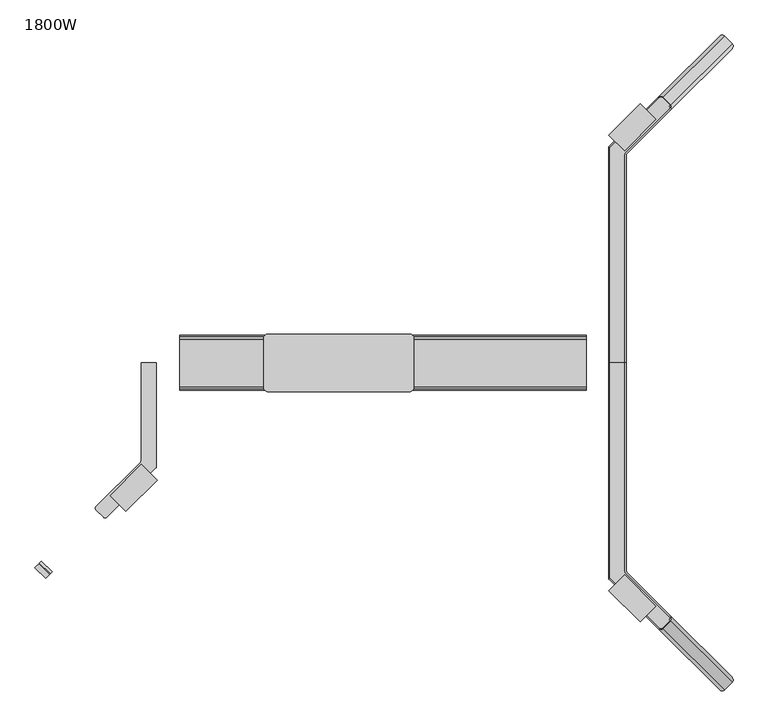
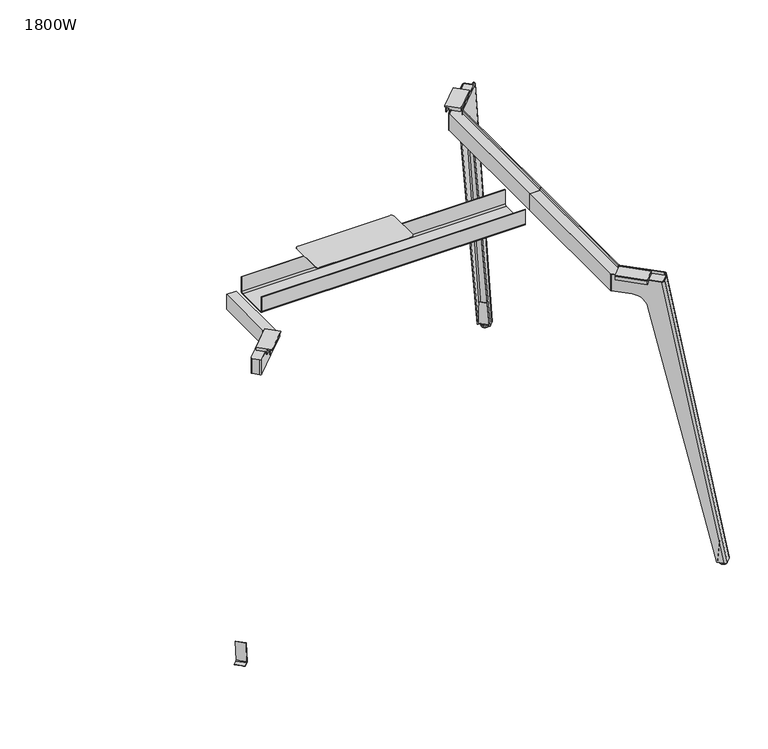
"""IFC4 building model written with IfcOpenShell, lengths in millimetres: furniture geometry, 1800W."""

from ifc_helpers import new_model, si_unit, point, frame, frame_2d, origin, place, context, project, spatial, polyline, circle_curve, ellipse_curve, trimmed, segment, composite_curve, outline, extrude, source, transform, mapped, element, save
from ifc_brep_helpers import plane_surface, cylinder_surface, revolved_surface, extruded_surface, advanced_brep


def furniture_1800w_860604a6(model_context):
    return source(origin(), model_context, "Body", "SolidModel", [
        extrude(outline(composite_curve([segment(polyline([(-688.0, 1010.0), (-688.0, 958.0)]), True, "CONTINUOUS"), segment(trimmed(circle_curve(frame_2d((-696.0, 958.0)), 8.0), [point((-688.0, 958.0))], [point((-696.0, 950.0))], False, "CARTESIAN"), True, "CONTINUOUS"), segment(polyline([(-696.0, 950.0), (-804.0, 950.0)]), True, "CONTINUOUS"), segment(trimmed(circle_curve(frame_2d((-804.0, 958.0)), 8.0), [point((-804.0, 950.0))], [point((-812.0, 958.0))], False, "CARTESIAN"), True, "CONTINUOUS"), segment(polyline([(-812.0, 958.0), (-812.0, 1010.0), (-810.0, 1010.0), (-810.0, 958.0)]), True, "CONTINUOUS"), segment(trimmed(circle_curve(frame_2d((-804.0, 958.0)), 6.0), [point((-810.0, 958.0))], [point((-804.0, 952.0))], True, "CARTESIAN"), True, "CONTINUOUS"), segment(polyline([(-804.0, 952.0), (-696.0, 952.0)]), True, "CONTINUOUS"), segment(trimmed(circle_curve(frame_2d((-696.0, 958.0)), 6.0), [point((-696.0, 952.0))], [point((-690.0, 958.0))], True, "CARTESIAN"), True, "CONTINUOUS"), segment(polyline([(-690.0, 958.0), (-690.0, 1010.0), (-688.0, 1010.0)]), True, "CONTINUOUS")], self_intersect=False)), frame((540.0, 0.0, 0.0), z_axis=(1.0, 0.0, 0.0), x_axis=(0.0, 1.0, 0.0)), (0.0, 0.0, 1.0), 920.0),
        extrude(outline(composite_curve([segment(trimmed(circle_curve(frame_2d((1060.0, -695.0)), 10.0), [point((1060.0, -685.0))], [point((1070.0, -695.0))], False, "CARTESIAN"), True, "CONTINUOUS"), segment(polyline([(1070.0, -695.0), (1070.0, -805.0)]), True, "CONTINUOUS"), segment(trimmed(circle_curve(frame_2d((1060.0, -805.0)), 10.0), [point((1070.0, -805.0))], [point((1060.0, -815.0))], False, "CARTESIAN"), True, "CONTINUOUS"), segment(polyline([(1060.0, -815.0), (740.0, -815.0)]), True, "CONTINUOUS"), segment(trimmed(circle_curve(frame_2d((740.0, -805.0)), 10.0), [point((740.0, -815.0))], [point((730.0, -805.0))], False, "CARTESIAN"), True, "CONTINUOUS"), segment(polyline([(730.0, -805.0), (730.0, -695.0)]), True, "CONTINUOUS"), segment(trimmed(circle_curve(frame_2d((740.0, -695.0)), 10.0), [point((730.0, -695.0))], [point((740.0, -685.0))], False, "CARTESIAN"), True, "CONTINUOUS"), segment(polyline([(740.0, -685.0), (1060.0, -685.0)]), True, "CONTINUOUS")], self_intersect=False)), frame((0.0, 0.0, 1050.0), z_axis=(0.0, 0.0, 1.0), x_axis=(1.0, 0.0, 0.0)), (0.0, 0.0, 1.0), 1.0),
        extrude(outline(composite_curve([segment(polyline([(-74.548028, 0.0), (-0.0994088, 1e-07)]), True, "CONTINUOUS"), segment(trimmed(circle_curve(frame_2d((-0.0994088, -3.0)), 3.0), [point((-0.0994088, 1e-07))], [point((2.8893055, -3.2599753))], False, "CARTESIAN"), True, "CONTINUOUS"), segment(polyline([(2.8893055, -3.2599753), (1.3240324, -21.254585), (-0.1703247, -21.1245974), (1.3949484, -3.1299876)]), True, "CONTINUOUS"), segment(trimmed(circle_curve(frame_2d((-0.0994088, -3.0)), 1.5), [point((1.3949484, -3.1299876))], [point((-0.0994088, -1.5))], True, "CARTESIAN"), True, "CONTINUOUS"), segment(polyline([(-0.0994088, -1.5), (-74.5477459, -1.5), (-74.548028, 0.0)]), True, "CONTINUOUS")], self_intersect=False)), frame((1748.3388574, -1472.380488, 14.8957476), z_axis=(0.7071067811865491, 0.7071067811865459, 0.0), x_axis=(-0.0612767651045797, 0.06127676510457999, -0.996238082044968)), (0.0, 0.0, 1.0), 34.0),
        extrude(outline(polyline([(-236.7910647, 0.0), (-186.7910648, 0.0), (-186.7910648, -3.0005467), (-188.2821866, -3.0005467), (-190.7073419, -5.4412143), (-190.7073419, -20.0), (-193.7809085, -20.0), (-193.7809085, -6.0005467), (-201.7910648, -6.0005467), (-201.7910648, -20.0), (-204.7910647, -20.0), (-204.7910647, -12.0), (-236.7910647, -12.0), (-236.7910647, 0.0)])), frame((1449.506584, -1467.8731417, 1025.0), z_axis=(-0.7071067811865459, 0.7071067811865492, 0.0), x_axis=(-0.7071067811865492, -0.7071067811865459, 0.0)), (0.0, 0.0, 1.0), 100.0),
        extrude(outline(composite_curve([segment(trimmed(circle_curve(frame_2d((1515.0, -1236.2132034)), 2.0), [point((1513.5857864, -1237.627417))], [point((1513.0, -1236.2132034))], False, "CARTESIAN"), True, "CONTINUOUS"), segment(polyline([(1513.0, -1236.2132034), (1513.0, -750.0), (1547.0, -750.0), (1547.0, -1219.6446609)]), True, "CONTINUOUS"), segment(trimmed(circle_curve(frame_2d((1555.0, -1219.6446609)), 8.0), [point((1547.0, -1219.6446609))], [point((1549.3431458, -1225.3015152))], True, "CARTESIAN"), True, "CONTINUOUS"), segment(polyline([(1549.3431458, -1225.3015152), (1649.1130979, -1325.0714673)]), True, "CONTINUOUS"), segment(trimmed(circle_curve(frame_2d((1645.577564, -1328.6070012)), 5.0), [point((1649.1130979, -1325.0714673))], [point((1649.1130979, -1332.1425352))], False, "CARTESIAN"), True, "CONTINUOUS"), segment(polyline([(1649.1130979, -1332.1425352), (1632.1425352, -1349.1130979)]), True, "CONTINUOUS"), segment(trimmed(circle_curve(frame_2d((1628.6070012, -1345.577564)), 5.0), [point((1632.1425352, -1349.1130979))], [point((1625.0714673, -1349.1130979))], False, "CARTESIAN"), True, "CONTINUOUS"), segment(polyline([(1625.0714673, -1349.1130979), (1513.5857864, -1237.627417)]), True, "CONTINUOUS")], self_intersect=False)), frame((0.0, 0.0, 958.0), z_axis=(0.0, 0.0, 1.0), x_axis=(1.0, 0.0, 0.0)), (0.0, 0.0, 1.0), 55.0),
        advanced_brep(
        [(1649.8544232, -1332.8838605, 1023.0), (1649.8544232, -1321.570152, 1023.0), (1551.4644661, -1223.1801948, 1023.0), (1550.0, -1219.6446609, 1023.0), (1550.0, -750.0, 1023.0), (1547.0, -750.0, 1023.0), (1547.0, -1219.6446609, 1023.0), (1549.3431458, -1225.3015152, 1023.0), (1647.7331029, -1323.6914723, 1023.0), (1647.7331029, -1330.7625401, 1023.0), (1772.4228355, -1489.3933983, 11.0), (1761.109127, -1489.3933983, 11.0), (1745.3502722, -1473.6345435, 11.0), (1747.4715925, -1471.5132231, 11.0), (1763.2304474, -1487.2720779, 11.0), (1770.3015152, -1487.2720779, 11.0), (1787.2720779, -1470.3015152, 11.0), (1787.2720779, -1463.2304474, 11.0), (1771.5132231, -1447.4715925, 11.0), (1773.6345435, -1445.3502722, 11.0), (1789.3933983, -1461.109127, 11.0), (1789.3933983, -1472.4228355, 11.0), (1651.2332668, -1334.2627041, 1013.0), (1634.2627041, -1351.2332668, 1013.0), (1621.4575473, -1293.173276, 914.5846719), (1587.0642676, -1258.7799963, 953.0), (1551.4644661, -1223.1801948, 953.0), (1550.0, -1219.6446609, 953.0), (1550.0, -750.0, 953.0), (1547.0, -750.0, 953.0), (1547.0, -1219.6446609, 953.0), (1549.3431458, -1225.3015152, 953.0), (1584.9429472, -1260.9013167, 953.0), (1619.3362269, -1295.2945964, 914.5846719), (1649.1119465, -1332.1413837, 1013.0), (1632.1413837, -1349.1119465, 1013.0), (1625.0703159, -1349.1119465, 1013.0), (1595.2945964, -1319.3362269, 914.5846719), (1560.9013167, -1284.9429472, 953.0), (1513.5857864, -1237.627417, 953.0), (1513.5857864, -1237.627417, 1013.0), (1513.0, -1236.2132034, 953.0), (1513.0, -1236.2132034, 1013.0), (1513.0, -750.0, 953.0), (1513.0, -750.0, 1013.0), (1510.0, -750.0, 953.0), (1510.0, -750.0, 1013.0), (1510.0, -1236.2132034, 953.0), (1510.0, -1236.2132034, 1013.0), (1511.4644661, -1239.7487373, 953.0), (1511.4644661, -1239.7487373, 1013.0), (1622.9489956, -1351.2332668, 1013.0), (1558.7799963, -1287.0642676, 953.0), (1593.173276, -1321.4575473, 914.5846719)],
        [
            (0, 1, circle_curve(frame((1644.197569, -1327.2270062, 1023.0), z_axis=(0.0, 0.0, 1.0), x_axis=(-1.0, 0.0, 0.0)), 8.0)),
            (1, 2),
            (2, 3, circle_curve(frame((1555.0, -1219.6446609, 1023.0), z_axis=(0.0, 0.0, -1.0), x_axis=(-0.7071067811865375, 0.7071067811865576, 0.0)), 5.0)),
            (3, 4),
            (4, 5),
            (5, 6),
            (6, 7, circle_curve(frame((1555.0, -1219.6446609, 1023.0), z_axis=(0.0, 0.0, 1.0), x_axis=(0.0, -1.0, 0.0)), 8.0)),
            (7, 8),
            (8, 9, circle_curve(frame((1644.197569, -1327.2270062, 1023.0), z_axis=(0.0, 0.0, -1.0), x_axis=(-1.0, 0.0, 0.0)), 5.0)),
            (9, 0),
            (10, 11, circle_curve(frame((1766.7659813, -1483.736544, 11.0), z_axis=(0.0, 0.0, -1.0), x_axis=(-1.0, 0.0, 0.0)), 8.0)),
            (11, 12),
            (12, 13),
            (13, 14),
            (14, 15, circle_curve(frame((1766.7659813, -1483.736544, 11.0), z_axis=(0.0, 0.0, 1.0), x_axis=(-1.0, 0.0, 0.0)), 5.0)),
            (15, 16),
            (16, 17, circle_curve(frame((1783.736544, -1466.7659813, 11.0), z_axis=(0.0, 0.0, 1.0), x_axis=(-1.0, 0.0, 0.0)), 5.0)),
            (17, 18),
            (18, 19),
            (19, 20),
            (20, 21, circle_curve(frame((1783.736544, -1466.7659813, 11.0), z_axis=(0.0, 0.0, -1.0), x_axis=(-1.0, 0.0, 0.0)), 8.0)),
            (21, 10),
            (21, 22),
            (22, 23),
            (23, 10),
            (0, 22),
            (20, 1),
            (19, 24),
            (24, 25, circle_curve(frame((1587.0642676, -1258.7799963, 903.0), z_axis=(-0.7071067811865491, -0.7071067811865459, 0.0), x_axis=(0.7071067811865459, -0.7071067811865491, 0.0)), 50.0)),
            (25, 26),
            (26, 2),
            (26, 27, circle_curve(frame((1555.0, -1219.6446609, 953.0), z_axis=(0.0, 0.0, -1.0), x_axis=(-0.7071067811865375, 0.7071067811865576, 0.0)), 5.0)),
            (27, 3),
            (27, 28),
            (28, 4),
            (28, 29),
            (29, 5),
            (29, 30),
            (30, 6),
            (30, 31, circle_curve(frame((1555.0, -1219.6446609, 953.0), z_axis=(0.0, 0.0, 1.0), x_axis=(0.0, -1.0, 0.0)), 8.0)),
            (31, 7),
            (31, 32),
            (32, 33, circle_curve(frame((1584.9429472, -1260.9013167, 903.0), z_axis=(0.7071067811865491, 0.7071067811865459, 0.0), x_axis=(0.7071067811865459, -0.7071067811865491, 0.0)), 50.0)),
            (33, 18),
            (17, 8),
            (16, 34),
            (34, 9),
            (15, 35),
            (35, 34),
            (14, 36),
            (36, 35, circle_curve(frame((1628.6058498, -1345.5764126, 1013.0), z_axis=(0.0, 0.0, 1.0), x_axis=(-1.0, 0.0, 0.0)), 5.0)),
            (13, 37),
            (37, 38, circle_curve(frame((1560.9013167, -1284.9429472, 903.0), z_axis=(-0.7071067811865491, -0.7071067811865459, 0.0), x_axis=(0.7071067811865459, -0.7071067811865491, 0.0)), 50.0)),
            (38, 39),
            (39, 40),
            (40, 36),
            (39, 41, circle_curve(frame((1515.0, -1236.2132034, 953.0), z_axis=(0.0, 0.0, -1.0), x_axis=(-0.7071067811865439, 0.7071067811865511, 0.0)), 2.0)),
            (41, 42),
            (42, 40, circle_curve(frame((1515.0, -1236.2132034, 1013.0), z_axis=(0.0, 0.0, 1.0), x_axis=(-0.7071067811865439, 0.7071067811865511, 0.0)), 2.0)),
            (41, 43),
            (43, 44),
            (44, 42),
            (43, 45),
            (45, 46),
            (46, 44),
            (45, 47),
            (47, 48),
            (48, 46),
            (47, 49, circle_curve(frame((1515.0, -1236.2132034, 953.0), z_axis=(0.0, 0.0, 1.0), x_axis=(0.0, -1.0, 0.0)), 5.0)),
            (49, 50),
            (50, 48, circle_curve(frame((1515.0, -1236.2132034, 1013.0), z_axis=(0.0, 0.0, -1.0), x_axis=(0.0, -1.0, 0.0)), 5.0)),
            (11, 51),
            (51, 50),
            (49, 52),
            (52, 53, circle_curve(frame((1558.7799963, -1287.0642676, 903.0), z_axis=(0.7071067811865491, 0.7071067811865459, 0.0), x_axis=(0.7071067811865459, -0.7071067811865491, 0.0)), 50.0)),
            (53, 12),
            (23, 51, circle_curve(frame((1628.6058498, -1345.5764126, 1013.0), z_axis=(0.0, 0.0, -1.0), x_axis=(-1.0, 0.0, 0.0)), 8.0)),
            (25, 32),
            (38, 52),
            (33, 24),
            (53, 37),
            (22, 34),
        ],
        [
            plane_surface(frame((1573.4970471, -1177.0828335, 1023.0), z_axis=(0.0, 0.0, 1.0000000000000002), x_axis=(0.7071067811865492, 0.7071067811865459, 0.0))),
            plane_surface(frame((1629.3126371, -1232.8984235, 11.0), z_axis=(0.0, 0.0, -1.0000000000000002), x_axis=(0.7071067811865492, 0.7071067811865459, 0.0))),
            plane_surface(frame((1780.9081169, -1480.9081169, 11.0), z_axis=(0.6940348267306308, -0.6940348267306341, 0.19139309958815692), x_axis=(0.7071067811865492, 0.7071067811865459, 0.0))),
            extruded_surface(trimmed(circle_curve(frame((1783.736544, -1466.7659813, 11.0), z_axis=(0.0, 0.0, 1.0), x_axis=(-1.0, 0.0, 0.0)), 8.0), [point((1789.3933983, -1472.4228355, 11.0))], [point((1789.3933983, -1461.109127, 11.0))], True, "CARTESIAN"), (-139.53897500000016, 139.53897510000002, 1012.0), 1031.0607407500343),
            plane_surface(frame((1670.4289322, -1342.1446609, 11.0), z_axis=(0.7071067811865491, 0.707106781186546, 0.0), x_axis=(-0.707106781186546, 0.7071067811865491, 0.0))),
            revolved_surface(polyline([(1551.4644660940673, -1216.109126994067, 1023.0), (1551.4644660940673, -1216.109126994067, 953.0)]), (1555.0, -1219.6446609, 11.0), (0.0, 0.0, 1.0)),
            plane_surface(frame((1550.0, -984.8223305, 11.0), z_axis=(1.0, 0.0, 0.0), x_axis=(0.0, 1.0, 0.0))),
            plane_surface(frame((1548.5, -750.0, 11.0), z_axis=(0.0, 1.0, 0.0), x_axis=(-1.0, 0.0, 0.0))),
            plane_surface(frame((1547.0, -984.8223305, 11.0), z_axis=(-1.0, 0.0, 0.0), x_axis=(0.0, -1.0, 0.0))),
            cylinder_surface(frame((1555.0, -1219.6446609, 11.0), z_axis=(0.0, 0.0, 1.0), x_axis=(0.0, -1.0, 0.0)), 8.0),
            plane_surface(frame((1668.3076118, -1344.2659813, 11.0), z_axis=(-0.7071067811865491, -0.707106781186546, 0.0), x_axis=(0.707106781186546, -0.7071067811865491, 0.0))),
            extruded_surface(trimmed(circle_curve(frame((1783.736544, -1466.7659813, 11.0), z_axis=(0.0, 0.0, -1.0), x_axis=(-1.0, 0.0, 0.0)), 5.0), [point((1787.2720779, -1463.2304474, 11.0))], [point((1787.2720779, -1470.3015152, 11.0))], True, "CARTESIAN"), (-139.53897500000016, 139.53897510000002, 1012.0), 1031.0607407500343),
            plane_surface(frame((1778.7867966, -1478.7867966, 11.0), z_axis=(-0.6940348267306308, 0.6940348267306341, -0.19139309958815692), x_axis=(-0.7071067811865492, -0.7071067811865459, 0.0))),
            extruded_surface(trimmed(circle_curve(frame((1766.7659813, -1483.736544, 11.0), z_axis=(0.0, 0.0, -1.0), x_axis=(-1.0, 0.0, 0.0)), 5.0), [point((1770.3015152, -1487.2720779, 11.0))], [point((1763.2304474, -1487.2720779, 11.0))], True, "CARTESIAN"), (-139.53897510000002, 139.53897500000016, 1012.0), 1031.0607407500343),
            plane_surface(frame((1638.4081169, -1362.4497475, 11.0), z_axis=(0.7071067811865491, 0.7071067811865459, 0.0), x_axis=(-0.7071067811865459, 0.7071067811865491, 0.0))),
            revolved_surface(polyline([(1513.585786437627, -1234.798989837627, 1013.0), (1513.585786437627, -1234.798989837627, 953.0)]), (1515.0, -1236.2132034, 11.0), (0.0, 0.0, 1.0)),
            plane_surface(frame((1513.0, -993.1066017, 11.0), z_axis=(1.0, 0.0, 0.0), x_axis=(0.0, 1.0, 0.0))),
            plane_surface(frame((1511.5, -750.0, 11.0), z_axis=(0.0, 1.0, 0.0), x_axis=(-1.0, 0.0, 0.0))),
            plane_surface(frame((1510.0, -993.1066017, 11.0), z_axis=(-1.0, 0.0, 0.0), x_axis=(0.0, -1.0, 0.0))),
            cylinder_surface(frame((1515.0, -1236.2132034, 11.0), z_axis=(0.0, 0.0, 1.0), x_axis=(0.0, -1.0, 0.0)), 5.0),
            plane_surface(frame((1636.2867966, -1364.5710678, 11.0), z_axis=(-0.7071067811865491, -0.7071067811865459, 0.0), x_axis=(0.7071067811865459, -0.7071067811865491, 0.0))),
            extruded_surface(trimmed(circle_curve(frame((1766.7659813, -1483.736544, 11.0), z_axis=(0.0, 0.0, 1.0), x_axis=(-1.0, 0.0, 0.0)), 8.0), [point((1761.109127, -1489.3933983, 11.0))], [point((1772.4228355, -1489.3933983, 11.0))], True, "CARTESIAN"), (-139.53897510000002, 139.53897500000016, 1012.0), 1031.0607407500343),
            plane_surface(frame((1510.0, -1250.0, 953.0), z_axis=(0.0, 0.0, -1.0), x_axis=(1.0, 0.0, 0.0))),
            plane_surface(frame((1727.8751083, -1491.5147186, 9.7975778), z_axis=(-0.687865593883783, 0.6878655938837862, -0.23169343862487052), x_axis=(0.7071067811865492, 0.7071067811865459, 0.0))),
            revolved_surface(polyline([(1620.2982862593271, -1296.2566557593275, 903.0), (1622.4196066593272, -1294.1353353593272, 903.0)]), (1604.7419371, -1241.1023268, 903.0), (-0.7071067811865491, -0.7071067811865459, 0.0)),
            revolved_surface(polyline([(1594.1353353593272, -1322.4196066593274, 903.0), (1596.2566557593273, -1320.2982862593271, 903.0)]), (1604.7419371, -1241.1023268, 903.0), (-0.7071067811865491, -0.7071067811865459, 0.0)),
            plane_surface(frame((1542.0, -750.0, 1013.0), z_axis=(0.0, 0.0, 1.0), x_axis=(0.0, -1.0, 0.0))),
            plane_surface(frame((1653.3899571, -1336.4193944, 1025.0), z_axis=(-0.7071067811865482, -0.7071067811865468, 0.0), x_axis=(0.0, 0.0, -1.0))),
        ],
        [
            (0, [[1, 2, 3, 4, 5, 6, 7, 8, 9, 10]]),
            (1, [[11, 12, 13, 14, 15, 16, 17, 18, 19, 20, 21, 22]]),
            (2, [[-22, 23, 24, 25]]),
            (3, [[-1, 26, -23, -21, 27]]),
            (4, [[-2, -27, -20, 28, 29, 30, 31]]),
            (5, [[-3, -31, 32, 33]]),
            (6, [[-4, -33, 34, 35]]),
            (7, [[-5, -35, 36, 37]]),
            (8, [[-6, -37, 38, 39]]),
            (9, [[-7, -39, 40, 41]]),
            (10, [[-8, -41, 42, 43, 44, -18, 45]]),
            (11, [[-9, -45, -17, 46, 47]]),
            (12, [[-16, 48, 49, -46]]),
            (13, [[-15, 50, 51, -48]]),
            (14, [[-14, 52, 53, 54, 55, 56, -50]]),
            (15, [[57, 58, 59, -55]]),
            (16, [[60, 61, 62, -58]]),
            (17, [[63, 64, 65, -61]]),
            (18, [[66, 67, 68, -64]]),
            (19, [[69, 70, 71, -67]]),
            (20, [[-12, 72, 73, -70, 74, 75, 76]]),
            (21, [[-11, -25, 77, -72]]),
            (22, [[-36, -34, -32, -30, 78, -42, -40, -38]]),
            (22, [[-57, -54, 79, -74, -69, -66, -63, -60]]),
            (23, [[80, -28, -19, -44]]),
            (23, [[81, -52, -13, -76]]),
            (24, [[-80, -43, -78, -29]]),
            (25, [[-81, -75, -79, -53]]),
            (26, [[82, -49, -51, -56, -59, -62, -65, -68, -71, -73, -77, -24]]),
            (27, [[-82, -26, -10, -47]]),
        ],
    ),
        advanced_brep(
        [(1761.8162338, -1461.8162338, 8.0), (1778.7867966, -1478.7867966, 8.0), (1778.7867966, -1478.7867966, 1.0), (1761.8162338, -1461.8162338, 1.0), (1765.1752772, -1465.1752772, 8.0), (1775.4277531, -1475.4277531, 8.0), (1766.4179756, -1466.4179756, 11.0), (1774.1850548, -1474.1850548, 11.0), (1770.3015152, -1470.3015152, 11.0), (1762.5233406, -1462.5233406, 0.0), (1778.0796898, -1478.0796898, 0.0), (1770.3015152, -1470.3015152, 0.0)],
        [
            (0, 1, circle_curve(frame((1770.3015152, -1470.3015152, 8.0), z_axis=(0.0, 0.0, -1.0), x_axis=(0.7071067811865459, -0.7071067811865491, 0.0)), 12.0)),
            (1, 2),
            (2, 3, circle_curve(frame((1770.3015152, -1470.3015152, 1.0), z_axis=(0.0, 0.0, 1.0), x_axis=(0.7071067811865459, -0.7071067811865491, 0.0)), 12.0)),
            (3, 0),
            (1, 0, circle_curve(frame((1770.3015152, -1470.3015152, 8.0), z_axis=(0.0, 0.0, -1.0), x_axis=(0.7071067811865459, -0.7071067811865491, 0.0)), 12.0)),
            (3, 2, circle_curve(frame((1770.3015152, -1470.3015152, 1.0), z_axis=(0.0, 0.0, 1.0), x_axis=(0.7071067811865459, -0.7071067811865491, 0.0)), 12.0)),
            (4, 5, circle_curve(frame((1770.3015152, -1470.3015152, 8.0), z_axis=(0.0, 0.0, -1.0), x_axis=(0.7071067811865459, -0.7071067811865491, 0.0)), 7.2495952)),
            (5, 1),
            (0, 4),
            (5, 4, circle_curve(frame((1770.3015152, -1470.3015152, 8.0), z_axis=(0.0, 0.0, -1.0), x_axis=(0.7071067811865459, -0.7071067811865491, 0.0)), 7.2495952)),
            (6, 7, circle_curve(frame((1770.3015152, -1470.3015152, 11.0), z_axis=(0.0, 0.0, -1.0), x_axis=(0.7071067811865459, -0.7071067811865491, 0.0)), 5.4921544)),
            (7, 5),
            (4, 6),
            (7, 6, circle_curve(frame((1770.3015152, -1470.3015152, 11.0), z_axis=(0.0, 0.0, -1.0), x_axis=(0.7071067811865459, -0.7071067811865491, 0.0)), 5.4921544)),
            (8, 7),
            (6, 8),
            (9, 10, circle_curve(frame((1770.3015152, -1470.3015152, 0.0), z_axis=(0.0, 0.0, -1.0), x_axis=(0.7071067811865459, -0.7071067811865491, 0.0)), 11.0)),
            (10, 11),
            (11, 9),
            (10, 9, circle_curve(frame((1770.3015152, -1470.3015152, 0.0), z_axis=(0.0, 0.0, -1.0), x_axis=(0.7071067811865459, -0.7071067811865491, 0.0)), 11.0)),
            (2, 10, circle_curve(frame((1778.0796898, -1478.0796898, 1.0), z_axis=(0.7071067811865491, 0.7071067811865459, 0.0), x_axis=(0.7071067811865459, -0.7071067811865491, 0.0)), 1.0)),
            (9, 3, circle_curve(frame((1762.5233406, -1462.5233406, 1.0), z_axis=(0.7071067811865515, 0.7071067811865436, 0.0), x_axis=(-0.7071067811865436, 0.7071067811865515, 0.0)), 1.0)),
        ],
        [
            cylinder_surface(frame((1770.3015152, -1470.3015152, -11.0819101), z_axis=(0.0, 0.0, 1.0), x_axis=(0.7071067811865459, -0.7071067811865491, 0.0)), 12.0),
            plane_surface(frame((1770.3015152, -1470.3015152, 8.0), z_axis=(0.0, 0.0, 1.0), x_axis=(0.7071067811865459, -0.7071067811865491, 0.0))),
            revolved_surface(polyline([(1775.4277531, -1475.4277531, 8.0), (1774.1850548, -1474.1850548, 11.0)]), (1770.3015152, -1470.3015152, -11.0819101), (0.0, 0.0, 1.0)),
            plane_surface(frame((1770.3015152, -1470.3015152, 11.0), z_axis=(0.0, 0.0, 1.0), x_axis=(0.7071067811865459, -0.7071067811865491, 0.0))),
            plane_surface(frame((1770.3015152, -1470.3015152, 0.0), z_axis=(0.0, 0.0, -1.0), x_axis=(0.7071067811865459, -0.7071067811865491, 0.0))),
            revolved_surface(trimmed(ellipse_curve(frame((1778.0796898, -1478.0796898, 1.0), z_axis=(-0.7071067811865491, -0.7071067811865459, 0.0), x_axis=(0.7071067811865459, -0.7071067811865491, 0.0)), 1.0, 1.0), [point((1778.0796898, -1478.0796898, 0.0))], [point((1778.7867966, -1478.7867966, 1.0))], True, "CARTESIAN"), (1770.3015152, -1470.3015152, -11.0819101), (0.0, 0.0, 1.0)),
        ],
        [
            (0, [[1, 2, 3, 4]]),
            (0, [[5, -4, 6, -2]]),
            (1, [[7, 8, -1, 9]]),
            (1, [[10, -9, -5, -8]]),
            (2, [[11, 12, -7, 13]]),
            (2, [[14, -13, -10, -12]]),
            (3, [[15, -11, 16]]),
            (3, [[-16, -14, -15]]),
            (4, [[17, 18, 19]]),
            (4, [[20, -19, -18]]),
            (5, [[-3, 21, -17, 22]]),
            (5, [[-6, -22, -20, -21]]),
        ],
    ),
        extrude(outline(composite_curve([segment(polyline([(74.548028, 0.0), (0.0994088, -1e-07)]), True, "CONTINUOUS"), segment(trimmed(circle_curve(frame_2d((0.0994088, 3.0)), 3.0), [point((0.0994088, -1e-07))], [point((-2.8893055, 3.2599753))], False, "CARTESIAN"), True, "CONTINUOUS"), segment(polyline([(-2.8893055, 3.2599753), (-1.3240324, 21.254585), (0.1703247, 21.1245974), (-1.3949484, 3.1299876)]), True, "CONTINUOUS"), segment(trimmed(circle_curve(frame_2d((0.0994088, 3.0)), 1.5), [point((-1.3949484, 3.1299876))], [point((0.0994088, 1.5))], True, "CARTESIAN"), True, "CONTINUOUS"), segment(polyline([(0.0994088, 1.5), (74.5477459, 1.5), (74.548028, 0.0)]), True, "CONTINUOUS")], self_intersect=False)), frame((1772.380488, -51.6611426, 14.8957476), z_axis=(-0.7071067811865491, 0.7071067811865459, 0.0), x_axis=(0.0612767651045797, 0.06127676510457999, 0.996238082044968)), (0.0, 0.0, 1.0), 34.0),
        extrude(outline(polyline([(236.7910648, 0.0), (186.7910648, 0.0), (186.7910648, 3.0005467), (188.2821866, 3.0005467), (190.7073419, 5.4412143), (190.7073419, 20.0), (193.7809085, 20.0), (193.7809085, 6.0005467), (201.7910648, 6.0005467), (201.7910648, 20.0), (204.7910648, 20.0), (204.7910648, 12.0), (236.7910648, 12.0), (236.7910648, 0.0)])), frame((1378.7959059, -102.8375364, 1025.0), z_axis=(0.7071067811865459, 0.7071067811865492, 0.0), x_axis=(0.7071067811865492, -0.7071067811865459, 0.0)), (0.0, 0.0, 1.0), 100.0),
        extrude(outline(composite_curve([segment(polyline([(1513.5857864, -262.372583), (1625.0714673, -150.8869021)]), True, "CONTINUOUS"), segment(trimmed(circle_curve(frame_2d((1628.6070012, -154.422436)), 5.0), [point((1625.0714673, -150.8869021))], [point((1632.1425352, -150.8869021))], False, "CARTESIAN"), True, "CONTINUOUS"), segment(polyline([(1632.1425352, -150.8869021), (1649.1130979, -167.8574648)]), True, "CONTINUOUS"), segment(trimmed(circle_curve(frame_2d((1645.577564, -171.3929988)), 5.0), [point((1649.1130979, -167.8574648))], [point((1649.1130979, -174.9285327))], False, "CARTESIAN"), True, "CONTINUOUS"), segment(polyline([(1649.1130979, -174.9285327), (1549.3431458, -274.6984848)]), True, "CONTINUOUS"), segment(trimmed(circle_curve(frame_2d((1555.0, -280.3553391)), 8.0), [point((1549.3431458, -274.6984848))], [point((1547.0, -280.3553391))], True, "CARTESIAN"), True, "CONTINUOUS"), segment(polyline([(1547.0, -280.3553391), (1547.0, -750.0), (1513.0, -750.0), (1513.0, -263.7867966)]), True, "CONTINUOUS"), segment(trimmed(circle_curve(frame_2d((1515.0, -263.7867966)), 2.0), [point((1513.0, -263.7867966))], [point((1513.5857864, -262.372583))], False, "CARTESIAN"), True, "CONTINUOUS")], self_intersect=False)), frame((0.0, 0.0, 958.0), z_axis=(0.0, 0.0, 1.0), x_axis=(1.0, 0.0, 0.0)), (0.0, 0.0, 1.0), 55.0),
        advanced_brep(
        [(1649.8544232, -167.1161395, 1023.0), (1647.7331029, -169.2374599, 1023.0), (1647.7331029, -176.3085277, 1023.0), (1549.3431458, -274.6984848, 1023.0), (1547.0, -280.3553391, 1023.0), (1547.0, -750.0, 1023.0), (1550.0, -750.0, 1023.0), (1550.0, -280.3553391, 1023.0), (1551.4644661, -276.8198052, 1023.0), (1649.8544232, -178.429848, 1023.0), (1772.4228355, -10.6066017, 11.0), (1789.3933983, -27.5771645, 11.0), (1789.3933983, -38.890873, 11.0), (1773.6345435, -54.6497278, 11.0), (1771.5132231, -52.5284075, 11.0), (1787.2720779, -36.7695526, 11.0), (1787.2720779, -29.6984848, 11.0), (1770.3015152, -12.7279221, 11.0), (1763.2304474, -12.7279221, 11.0), (1747.4715925, -28.4867769, 11.0), (1745.3502722, -26.3654565, 11.0), (1761.109127, -10.6066017, 11.0), (1634.2627041, -148.7667332, 1013.0), (1651.2332668, -165.7372959, 1013.0), (1551.4644661, -276.8198052, 953.0), (1587.0642676, -241.2200037, 953.0), (1621.4575473, -206.826724, 914.5846719), (1550.0, -280.3553391, 953.0), (1550.0, -750.0, 953.0), (1547.0, -750.0, 953.0), (1547.0, -280.3553391, 953.0), (1549.3431458, -274.6984848, 953.0), (1619.3362269, -204.7054036, 914.5846719), (1584.9429472, -239.0986833, 953.0), (1649.1119465, -167.8586163, 1013.0), (1632.1413837, -150.8880535, 1013.0), (1625.0703159, -150.8880535, 1013.0), (1513.5857864, -262.372583, 1013.0), (1513.5857864, -262.372583, 953.0), (1560.9013167, -215.0570528, 953.0), (1595.2945964, -180.6637731, 914.5846719), (1513.0, -263.7867966, 1013.0), (1513.0, -263.7867966, 953.0), (1513.0, -750.0, 1013.0), (1513.0, -750.0, 953.0), (1510.0, -750.0, 1013.0), (1510.0, -750.0, 953.0), (1510.0, -263.7867966, 1013.0), (1510.0, -263.7867966, 953.0), (1511.4644661, -260.2512627, 1013.0), (1511.4644661, -260.2512627, 953.0), (1593.173276, -178.5424527, 914.5846719), (1558.7799963, -212.9357324, 953.0), (1622.9489956, -148.7667332, 1013.0)],
        [
            (0, 1),
            (1, 2, circle_curve(frame((1644.197569, -172.7729938, 1023.0), z_axis=(0.0, 0.0, -1.0), x_axis=(-1.0, 0.0, 0.0)), 5.0)),
            (2, 3),
            (3, 4, circle_curve(frame((1555.0, -280.3553391, 1023.0), z_axis=(0.0, 0.0, 1.0), x_axis=(0.0, 1.0, 0.0)), 8.0)),
            (4, 5),
            (5, 6),
            (6, 7),
            (7, 8, circle_curve(frame((1555.0, -280.3553391, 1023.0), z_axis=(0.0, 0.0, -1.0), x_axis=(-0.7071067811865375, -0.7071067811865576, 0.0)), 5.0)),
            (8, 9),
            (9, 0, circle_curve(frame((1644.197569, -172.7729938, 1023.0), z_axis=(0.0, 0.0, 1.0), x_axis=(-1.0, 0.0, 0.0)), 8.0)),
            (10, 11),
            (11, 12, circle_curve(frame((1783.736544, -33.2340187, 11.0), z_axis=(0.0, 0.0, -1.0), x_axis=(-1.0, 0.0, 0.0)), 8.0)),
            (12, 13),
            (13, 14),
            (14, 15),
            (15, 16, circle_curve(frame((1783.736544, -33.2340187, 11.0), z_axis=(0.0, 0.0, 1.0), x_axis=(-1.0, 0.0, 0.0)), 5.0)),
            (16, 17),
            (17, 18, circle_curve(frame((1766.7659813, -16.263456, 11.0), z_axis=(0.0, 0.0, 1.0), x_axis=(-1.0, 0.0, 0.0)), 5.0)),
            (18, 19),
            (19, 20),
            (20, 21),
            (21, 10, circle_curve(frame((1766.7659813, -16.263456, 11.0), z_axis=(0.0, 0.0, -1.0), x_axis=(-1.0, 0.0, 0.0)), 8.0)),
            (10, 22),
            (22, 23),
            (23, 11),
            (9, 12),
            (23, 0),
            (8, 24),
            (24, 25),
            (25, 26, circle_curve(frame((1587.0642676, -241.2200037, 903.0), z_axis=(-0.7071067811865491, 0.7071067811865459, 0.0), x_axis=(0.7071067811865459, 0.7071067811865491, 0.0)), 50.0)),
            (26, 13),
            (7, 27),
            (27, 24, circle_curve(frame((1555.0, -280.3553391, 953.0), z_axis=(0.0, 0.0, -1.0), x_axis=(-0.7071067811865375, -0.7071067811865576, 0.0)), 5.0)),
            (6, 28),
            (28, 27),
            (5, 29),
            (29, 28),
            (4, 30),
            (30, 29),
            (3, 31),
            (31, 30, circle_curve(frame((1555.0, -280.3553391, 953.0), z_axis=(0.0, 0.0, 1.0), x_axis=(0.0, 1.0, 0.0)), 8.0)),
            (2, 15),
            (14, 32),
            (32, 33, circle_curve(frame((1584.9429472, -239.0986833, 903.0), z_axis=(0.7071067811865491, -0.7071067811865459, 0.0), x_axis=(0.7071067811865459, 0.7071067811865491, 0.0)), 50.0)),
            (33, 31),
            (1, 34),
            (34, 16),
            (34, 35),
            (35, 17),
            (35, 36, circle_curve(frame((1628.6058498, -154.4235874, 1013.0), z_axis=(0.0, 0.0, 1.0), x_axis=(-1.0, 0.0, 0.0)), 5.0)),
            (36, 18),
            (36, 37),
            (37, 38),
            (38, 39),
            (39, 40, circle_curve(frame((1560.9013167, -215.0570528, 903.0), z_axis=(-0.7071067811865491, 0.7071067811865459, 0.0), x_axis=(0.7071067811865459, 0.7071067811865491, 0.0)), 50.0)),
            (40, 19),
            (37, 41, circle_curve(frame((1515.0, -263.7867966, 1013.0), z_axis=(0.0, 0.0, 1.0), x_axis=(-0.7071067811865439, -0.7071067811865511, 0.0)), 2.0)),
            (41, 42),
            (42, 38, circle_curve(frame((1515.0, -263.7867966, 953.0), z_axis=(0.0, 0.0, -1.0), x_axis=(-0.7071067811865439, -0.7071067811865511, 0.0)), 2.0)),
            (41, 43),
            (43, 44),
            (44, 42),
            (43, 45),
            (45, 46),
            (46, 44),
            (45, 47),
            (47, 48),
            (48, 46),
            (47, 49, circle_curve(frame((1515.0, -263.7867966, 1013.0), z_axis=(0.0, 0.0, -1.0), x_axis=(0.0, 1.0, 0.0)), 5.0)),
            (49, 50),
            (50, 48, circle_curve(frame((1515.0, -263.7867966, 953.0), z_axis=(0.0, 0.0, 1.0), x_axis=(0.0, 1.0, 0.0)), 5.0)),
            (20, 51),
            (51, 52, circle_curve(frame((1558.7799963, -212.9357324, 903.0), z_axis=(0.7071067811865491, -0.7071067811865459, 0.0), x_axis=(0.7071067811865459, 0.7071067811865491, 0.0)), 50.0)),
            (52, 50),
            (49, 53),
            (53, 21),
            (53, 22, circle_curve(frame((1628.6058498, -154.4235874, 1013.0), z_axis=(0.0, 0.0, -1.0), x_axis=(-1.0, 0.0, 0.0)), 8.0)),
            (33, 25),
            (52, 39),
            (26, 32),
            (40, 51),
            (34, 23),
        ],
        [
            plane_surface(frame((1573.4970471, -322.9171665, 1023.0), z_axis=(0.0, 0.0, 1.0000000000000002), x_axis=(0.7071067811865492, -0.7071067811865459, 0.0))),
            plane_surface(frame((1629.3126371, -267.1015765, 11.0), z_axis=(0.0, 0.0, -1.0000000000000002), x_axis=(0.7071067811865492, -0.7071067811865459, 0.0))),
            plane_surface(frame((1780.9081169, -19.0918831, 11.0), z_axis=(0.6940348267306308, 0.6940348267306341, 0.19139309958815692), x_axis=(0.7071067811865492, -0.7071067811865459, 0.0))),
            extruded_surface(trimmed(circle_curve(frame((1644.197569, -172.7729938, 1023.0), z_axis=(0.0, 0.0, -1.0), x_axis=(-1.0, 0.0, 0.0)), 8.0), [point((1649.8544232, -167.1161395, 1023.0))], [point((1649.8544232, -178.429848, 1023.0))], True, "CARTESIAN"), (139.53897500000016, 139.5389751, -1012.0), 1031.0607407500343),
            plane_surface(frame((1670.4289322, -157.8553391, 11.0), z_axis=(0.7071067811865491, -0.707106781186546, 0.0), x_axis=(-0.707106781186546, -0.7071067811865491, 0.0))),
            revolved_surface(polyline([(1551.4644660940673, -283.89087300593275, 1023.0), (1551.4644660940673, -283.89087300593275, 953.0)]), (1555.0, -280.3553391, 11.0), (0.0, 0.0, 1.0)),
            plane_surface(frame((1550.0, -515.1776695, 11.0), z_axis=(1.0, 0.0, 0.0), x_axis=(0.0, -1.0, 0.0))),
            plane_surface(frame((1548.5, -750.0, 11.0), z_axis=(0.0, -1.0, 0.0), x_axis=(-1.0, 0.0, 0.0))),
            plane_surface(frame((1547.0, -515.1776695, 11.0), z_axis=(-1.0, 0.0, 0.0), x_axis=(0.0, 1.0, 0.0))),
            cylinder_surface(frame((1555.0, -280.3553391, 11.0), z_axis=(0.0, 0.0, 1.0), x_axis=(0.0, 1.0, 0.0)), 8.0),
            plane_surface(frame((1668.3076118, -155.7340187, 11.0), z_axis=(-0.7071067811865491, 0.707106781186546, 0.0), x_axis=(0.707106781186546, 0.7071067811865491, 0.0))),
            extruded_surface(trimmed(circle_curve(frame((1644.197569, -172.7729938, 1023.0), z_axis=(0.0, 0.0, 1.0), x_axis=(-1.0, 0.0, 0.0)), 5.0), [point((1647.7331029, -176.3085277, 1023.0))], [point((1647.7331029, -169.2374599, 1023.0))], True, "CARTESIAN"), (139.53897500000016, 139.5389751, -1012.0), 1031.0607407500343),
            plane_surface(frame((1778.7867966, -21.2132034, 11.0), z_axis=(-0.6940348267306308, -0.6940348267306341, -0.19139309958815692), x_axis=(-0.7071067811865492, 0.7071067811865459, 0.0))),
            extruded_surface(trimmed(circle_curve(frame((1627.2270062, -155.802431, 1023.0), z_axis=(0.0, 0.0, 1.0), x_axis=(-1.0, 0.0, 0.0)), 5.0), [point((1630.7625401, -152.2668971, 1023.0))], [point((1623.6914723, -152.2668971, 1023.0))], True, "CARTESIAN"), (139.53897510000002, 139.53897500000002, -1012.0), 1031.060740750034),
            plane_surface(frame((1638.4081169, -137.5502525, 11.0), z_axis=(0.7071067811865491, -0.7071067811865459, 0.0), x_axis=(-0.7071067811865459, -0.7071067811865491, 0.0))),
            revolved_surface(polyline([(1513.585786437627, -265.2010101623731, 1013.0), (1513.585786437627, -265.2010101623731, 953.0)]), (1515.0, -263.7867966, 11.0), (0.0, 0.0, 1.0)),
            plane_surface(frame((1513.0, -506.8933983, 11.0), z_axis=(1.0, 0.0, 0.0), x_axis=(0.0, -1.0, 0.0))),
            plane_surface(frame((1511.5, -750.0, 11.0), z_axis=(0.0, -1.0, 0.0), x_axis=(-1.0, 0.0, 0.0))),
            plane_surface(frame((1510.0, -506.8933983, 11.0), z_axis=(-1.0, 0.0, 0.0), x_axis=(0.0, 1.0, 0.0))),
            cylinder_surface(frame((1515.0, -263.7867966, 11.0), z_axis=(0.0, 0.0, 1.0), x_axis=(0.0, 1.0, 0.0)), 5.0),
            plane_surface(frame((1636.2867966, -135.4289322, 11.0), z_axis=(-0.7071067811865491, 0.7071067811865459, 0.0), x_axis=(0.7071067811865459, 0.7071067811865491, 0.0))),
            extruded_surface(trimmed(circle_curve(frame((1627.2270062, -155.802431, 1023.0), z_axis=(0.0, 0.0, -1.0), x_axis=(-1.0, 0.0, 0.0)), 8.0), [point((1621.570152, -150.1455768, 1023.0))], [point((1632.8838605, -150.1455768, 1023.0))], True, "CARTESIAN"), (139.53897510000002, 139.53897500000002, -1012.0), 1031.060740750034),
            plane_surface(frame((1510.0, -250.0, 953.0), z_axis=(0.0, 0.0, -1.0), x_axis=(1.0, 0.0, 0.0))),
            plane_surface(frame((1727.8751083, -8.4852814, 9.7975778), z_axis=(-0.687865593883783, -0.6878655938837862, -0.23169343862487052), x_axis=(0.7071067811865492, -0.7071067811865459, 0.0))),
            revolved_surface(polyline([(1620.2982862593271, -203.7433442406725, 903.0), (1622.4196066593272, -205.8646646406726, 903.0)]), (1604.7419371, -258.8976732, 903.0), (-0.7071067811865491, 0.7071067811865459, 0.0)),
            revolved_surface(polyline([(1594.1353353593272, -177.5803933406726, 903.0), (1596.2566557593273, -179.7017137406727, 903.0)]), (1604.7419371, -258.8976732, 903.0), (-0.7071067811865491, 0.7071067811865459, 0.0)),
            plane_surface(frame((1542.0, -750.0, 1013.0), z_axis=(0.0, 0.0, 1.0), x_axis=(0.0, 1.0, 0.0))),
            plane_surface(frame((1653.3899571, -163.5806056, 1025.0), z_axis=(-0.7071067811865482, 0.7071067811865468, 0.0), x_axis=(0.0, 0.0, -1.0))),
        ],
        [
            (0, [[1, 2, 3, 4, 5, 6, 7, 8, 9, 10]]),
            (1, [[11, 12, 13, 14, 15, 16, 17, 18, 19, 20, 21, 22]]),
            (2, [[23, 24, 25, -11]]),
            (3, [[26, -12, -25, 27, -10]]),
            (4, [[28, 29, 30, 31, -13, -26, -9]]),
            (5, [[32, 33, -28, -8]]),
            (6, [[34, 35, -32, -7]]),
            (7, [[36, 37, -34, -6]]),
            (8, [[38, 39, -36, -5]]),
            (9, [[40, 41, -38, -4]]),
            (10, [[42, -15, 43, 44, 45, -40, -3]]),
            (11, [[46, 47, -16, -42, -2]]),
            (12, [[-47, 48, 49, -17]]),
            (13, [[-49, 50, 51, -18]]),
            (14, [[-51, 52, 53, 54, 55, 56, -19]]),
            (15, [[-53, 57, 58, 59]]),
            (16, [[-58, 60, 61, 62]]),
            (17, [[-61, 63, 64, 65]]),
            (18, [[-64, 66, 67, 68]]),
            (19, [[-67, 69, 70, 71]]),
            (20, [[72, 73, 74, -70, 75, 76, -21]]),
            (21, [[-76, 77, -23, -22]]),
            (22, [[-39, -41, -45, 78, -29, -33, -35, -37]]),
            (22, [[-62, -65, -68, -71, -74, 79, -54, -59]]),
            (23, [[-43, -14, -31, 80]]),
            (23, [[-72, -20, -56, 81]]),
            (24, [[-30, -78, -44, -80]]),
            (25, [[-55, -79, -73, -81]]),
            (26, [[-24, -77, -75, -69, -66, -63, -60, -57, -52, -50, -48, 82]]),
            (27, [[-46, -1, -27, -82]]),
        ],
    ),
        advanced_brep(
        [(1761.8162338, -38.1837662, 8.0), (1761.8162338, -38.1837662, 1.0), (1778.7867966, -21.2132034, 1.0), (1778.7867966, -21.2132034, 8.0), (1765.1752772, -34.8247228, 8.0), (1775.4277531, -24.5722469, 8.0), (1766.4179756, -33.5820244, 11.0), (1774.1850548, -25.8149452, 11.0), (1770.3015152, -29.6984848, 11.0), (1762.5233406, -37.4766594, 0.0), (1770.3015152, -29.6984848, 0.0), (1778.0796898, -21.9203102, 0.0)],
        [
            (0, 1),
            (1, 2, circle_curve(frame((1770.3015152, -29.6984848, 1.0), z_axis=(0.0, 0.0, 1.0), x_axis=(0.7071067811865459, 0.7071067811865491, 0.0)), 12.0)),
            (2, 3),
            (3, 0, circle_curve(frame((1770.3015152, -29.6984848, 8.0), z_axis=(0.0, 0.0, -1.0), x_axis=(0.7071067811865459, 0.7071067811865491, 0.0)), 12.0)),
            (2, 1, circle_curve(frame((1770.3015152, -29.6984848, 1.0), z_axis=(0.0, 0.0, 1.0), x_axis=(0.7071067811865459, 0.7071067811865491, 0.0)), 12.0)),
            (0, 3, circle_curve(frame((1770.3015152, -29.6984848, 8.0), z_axis=(0.0, 0.0, -1.0), x_axis=(0.7071067811865459, 0.7071067811865491, 0.0)), 12.0)),
            (4, 0),
            (3, 5),
            (5, 4, circle_curve(frame((1770.3015152, -29.6984848, 8.0), z_axis=(0.0, 0.0, -1.0), x_axis=(0.7071067811865459, 0.7071067811865491, 0.0)), 7.2495952)),
            (4, 5, circle_curve(frame((1770.3015152, -29.6984848, 8.0), z_axis=(0.0, 0.0, -1.0), x_axis=(0.7071067811865459, 0.7071067811865491, 0.0)), 7.2495952)),
            (6, 4),
            (5, 7),
            (7, 6, circle_curve(frame((1770.3015152, -29.6984848, 11.0), z_axis=(0.0, 0.0, -1.0), x_axis=(0.7071067811865459, 0.7071067811865491, 0.0)), 5.4921544)),
            (6, 7, circle_curve(frame((1770.3015152, -29.6984848, 11.0), z_axis=(0.0, 0.0, -1.0), x_axis=(0.7071067811865459, 0.7071067811865491, 0.0)), 5.4921544)),
            (8, 6),
            (7, 8),
            (9, 10),
            (10, 11),
            (11, 9, circle_curve(frame((1770.3015152, -29.6984848, 0.0), z_axis=(0.0, 0.0, -1.0), x_axis=(0.7071067811865459, 0.7071067811865491, 0.0)), 11.0)),
            (9, 11, circle_curve(frame((1770.3015152, -29.6984848, 0.0), z_axis=(0.0, 0.0, -1.0), x_axis=(0.7071067811865459, 0.7071067811865491, 0.0)), 11.0)),
            (1, 9, circle_curve(frame((1762.5233406, -37.4766594, 1.0), z_axis=(0.7071067811865515, -0.7071067811865436, 0.0), x_axis=(-0.7071067811865436, -0.7071067811865515, 0.0)), 1.0)),
            (11, 2, circle_curve(frame((1778.0796898, -21.9203102, 1.0), z_axis=(0.7071067811865491, -0.7071067811865459, 0.0), x_axis=(0.7071067811865459, 0.7071067811865491, 0.0)), 1.0)),
        ],
        [
            cylinder_surface(frame((1770.3015152, -29.6984848, -11.0819101), z_axis=(0.0, 0.0, 1.0), x_axis=(0.7071067811865459, 0.7071067811865491, 0.0)), 12.0),
            plane_surface(frame((1770.3015152, -29.6984848, 8.0), z_axis=(0.0, 0.0, 1.0), x_axis=(0.7071067811865459, 0.7071067811865491, 0.0))),
            revolved_surface(polyline([(1775.4277531, -24.5722469, 8.0), (1774.1850548, -25.8149452, 11.0)]), (1770.3015152, -29.6984848, -11.0819101), (0.0, 0.0, 1.0)),
            plane_surface(frame((1770.3015152, -29.6984848, 11.0), z_axis=(0.0, 0.0, 1.0), x_axis=(0.7071067811865459, 0.7071067811865491, 0.0))),
            plane_surface(frame((1770.3015152, -29.6984848, 0.0), z_axis=(0.0, 0.0, -1.0), x_axis=(0.7071067811865459, 0.7071067811865491, 0.0))),
            revolved_surface(trimmed(ellipse_curve(frame((1778.0796898, -21.9203102, 1.0), z_axis=(0.7071067811865491, -0.7071067811865459, 0.0), x_axis=(0.7071067811865459, 0.7071067811865491, 0.0)), 1.0, 1.0), [point((1778.0796898, -21.9203102, 0.0))], [point((1778.7867966, -21.2132034, 1.0))], True, "CARTESIAN"), (1770.3015152, -29.6984848, -11.0819101), (0.0, 0.0, 1.0)),
        ],
        [
            (0, [[1, 2, 3, 4]]),
            (0, [[-3, 5, -1, 6]]),
            (1, [[7, -4, 8, 9]]),
            (1, [[-8, -6, -7, 10]]),
            (2, [[11, -9, 12, 13]]),
            (2, [[-12, -10, -11, 14]]),
            (3, [[15, -13, 16]]),
            (3, [[-16, -14, -15]]),
            (4, [[17, 18, 19]]),
            (4, [[-18, -17, 20]]),
            (5, [[21, -19, 22, -2]]),
            (5, [[-22, -20, -21, -5]]),
        ],
    ),
        extrude(outline(composite_curve([segment(polyline([(-74.548028, 0.0), (-74.5477459, 1.5), (-0.0994088, 1.5)]), True, "CONTINUOUS"), segment(trimmed(circle_curve(frame_2d((-0.0994088, 3.0)), 1.5), [point((-0.0994088, 1.5))], [point((1.3949484, 3.1299876))], True, "CARTESIAN"), True, "CONTINUOUS"), segment(polyline([(1.3949484, 3.1299876), (-0.1703247, 21.1245974), (1.3240324, 21.254585), (2.8893055, 3.2599753)]), True, "CONTINUOUS"), segment(trimmed(circle_curve(frame_2d((-0.0994088, 3.0)), 3.0), [point((2.8893055, 3.2599753))], [point((-0.0994088, -1e-07))], False, "CARTESIAN"), True, "CONTINUOUS"), segment(polyline([(-0.0994088, -1e-07), (-74.548028, 0.0)]), True, "CONTINUOUS")], self_intersect=False)), frame((251.6611426, -1222.380488, 14.8957476), z_axis=(-0.7071067811865491, 0.7071067811865459, 0.0), x_axis=(0.0612767651045797, 0.06127676510457999, -0.996238082044968)), (0.0, 0.0, 1.0), 34.0),
        extrude(outline(polyline([(-236.7910647, 0.0), (-236.7910647, 12.0), (-204.7910647, 12.0), (-204.7910647, 20.0), (-201.7910648, 20.0), (-201.7910648, 6.0005467), (-193.7809085, 6.0005467), (-193.7809085, 20.0), (-190.7073419, 20.0), (-190.7073419, 5.4412143), (-188.2821866, 3.0005467), (-186.7910648, 3.0005467), (-186.7910648, 0.0), (-236.7910647, 0.0)])), frame((550.493416, -1217.8731417, 1025.0), z_axis=(0.7071067811865459, 0.7071067811865492, 0.0), x_axis=(0.7071067811865492, -0.7071067811865459, 0.0)), (0.0, 0.0, 1.0), 100.0),
        extrude(outline(composite_curve([segment(polyline([(486.4142136, -987.627417), (374.9285327, -1099.1130979)]), True, "CONTINUOUS"), segment(trimmed(circle_curve(frame_2d((371.3929988, -1095.577564)), 5.0), [point((374.9285327, -1099.1130979))], [point((367.8574648, -1099.1130979))], False, "CARTESIAN"), True, "CONTINUOUS"), segment(polyline([(367.8574648, -1099.1130979), (350.8869021, -1082.1425352)]), True, "CONTINUOUS"), segment(trimmed(circle_curve(frame_2d((354.422436, -1078.6070012)), 5.0), [point((350.8869021, -1082.1425352))], [point((350.8869021, -1075.0714673))], False, "CARTESIAN"), True, "CONTINUOUS"), segment(polyline([(350.8869021, -1075.0714673), (450.6568542, -975.3015152)]), True, "CONTINUOUS"), segment(trimmed(circle_curve(frame_2d((445.0, -969.6446609)), 8.0), [point((450.6568542, -975.3015152))], [point((453.0, -969.6446609))], True, "CARTESIAN"), True, "CONTINUOUS"), segment(polyline([(453.0, -969.6446609), (453.0, -750.0), (487.0, -750.0), (487.0, -986.2132034)]), True, "CONTINUOUS"), segment(trimmed(circle_curve(frame_2d((485.0, -986.2132034)), 2.0), [point((487.0, -986.2132034))], [point((486.4142136, -987.627417))], False, "CARTESIAN"), True, "CONTINUOUS")], self_intersect=False)), frame((0.0, 0.0, 958.0), z_axis=(0.0, 0.0, 1.0), x_axis=(1.0, 0.0, 0.0)), (0.0, 0.0, 1.0), 55.0),
    ])


if __name__ == "__main__":
    model = new_model("IFC4")
    model_context = context("Model", 3, world=origin())
    ifc_project = project(units=[si_unit("LENGTHUNIT", "METRE", prefix="MILLI")], contexts=[model_context])
    site = spatial("IfcSite", under=ifc_project)
    building = spatial("IfcBuilding", under=site)
    placement = place(None, origin())
    furniture_1800w_shape = furniture_1800w_860604a6(model_context)
    element("IfcFurniture", 1, ObjectType="1800W", at=placement, inside=building, context=model_context, shape_type="MappedRepresentation", body=[
        mapped(furniture_1800w_shape, transform((0.0, 0.0, 0.0), x_axis=(1.0, 0.0, 0.0), y_axis=(0.0, 1.0, 0.0), z_axis=(0.0, 0.0, 1.0))),
    ])
    save(model, "model.ifc")
